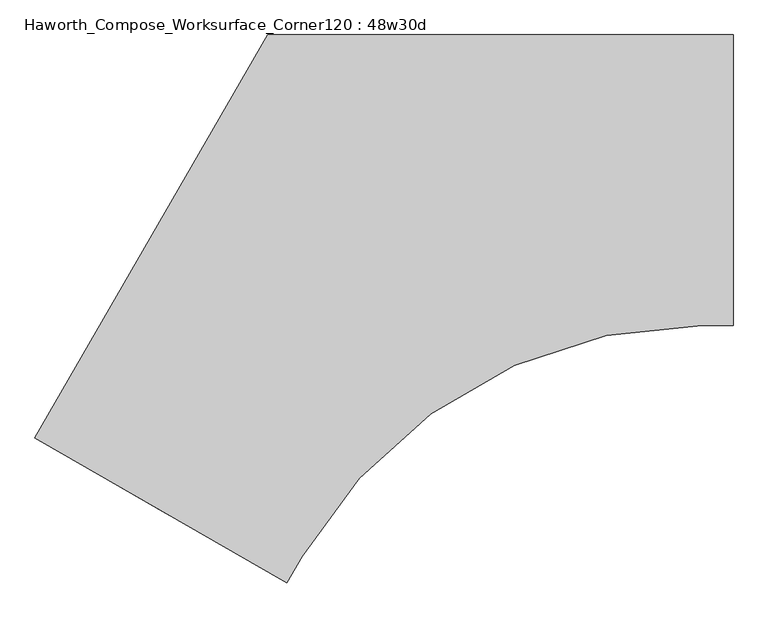
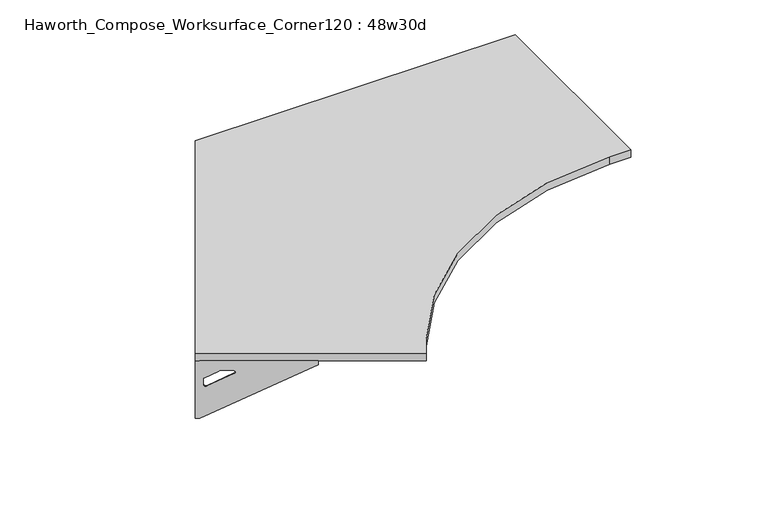
"""IFC4 building model written with IfcOpenShell, lengths in millimetres: furniture geometry, Haworth_Compose_Worksurface_Corner120 : 48w30d."""

from ifc_helpers import new_model, si_unit, point, frame, frame_2d, origin, place, context, project, spatial, polyline, circle_curve, trimmed, segment, composite_curve, outline, extrude, source, transform, mapped, element, save
from ifc_brep_helpers import plane_surface, revolved_surface, advanced_brep


def haworth_compose_worksurface_corner120_48w30d_0e6712c5(model_context):
    return source(origin(), model_context, "Body", "SolidModel", [
        advanced_brep(
        [(454.81875, 304.8, 473.86875), (454.81875, 288.925, 473.86875), (454.81875, -101.6, 690.1317568), (454.81875, -101.6, 702.46875), (454.81875, 288.925, 702.46875), (454.81875, 304.8, 702.46875), (454.81875, 221.490072, 664.36875), (454.81875, 177.8355284, 664.36875), (454.81875, 175.1564235, 654.7830539), (454.81875, 266.8776173, 603.9901439), (454.81875, 276.225, 609.5881969), (454.81875, 276.225, 633.0985246), (454.81875, 274.4730055, 635.9367776), (454.81875, 224.5663437, 663.5738425), (457.2, 304.8, 473.86875), (457.2, 304.8, 702.46875), (457.2, 288.925, 702.46875), (457.2, 288.925, 704.85), (457.2, -101.6, 704.85), (457.2, -101.6, 690.1317568), (457.2, 288.925, 473.86875), (457.2, 221.490072, 664.36875), (457.2, 224.5663437, 663.5738425), (457.2, 274.4730055, 635.9367776), (457.2, 276.225, 633.0985246), (457.2, 276.225, 609.5881969), (457.2, 266.8776173, 603.9901439), (457.2, 175.1564235, 654.7830539), (457.2, 177.8355284, 664.36875), (415.925, -101.6, 704.85), (415.925, -101.6, 702.46875), (415.925, 288.925, 702.46875), (415.925, 288.925, 704.85)],
        [
            (0, 1),
            (1, 2),
            (2, 3),
            (3, 4),
            (4, 5),
            (5, 0),
            (6, 7),
            (7, 8, circle_curve(frame((454.81875, 177.8355284, 659.2015106), z_axis=(1.0, 0.0, 0.0), x_axis=(0.0, -1.0, 0.0)), 5.1672394)),
            (8, 9),
            (9, 10, circle_curve(frame((454.81875, 269.875, 609.5881969), z_axis=(1.0, 0.0, 0.0), x_axis=(0.0, -1.0, 0.0)), 6.35)),
            (10, 11),
            (11, 12, circle_curve(frame((454.81875, 273.05, 633.0985246), z_axis=(1.0, 0.0, 0.0), x_axis=(0.0, -1.0, 0.0)), 3.175)),
            (12, 13),
            (13, 6, circle_curve(frame((454.81875, 221.490072, 658.01875), z_axis=(1.0, 0.0, 0.0), x_axis=(0.0, -1.0, 0.0)), 6.35)),
            (14, 15),
            (15, 16),
            (16, 17),
            (17, 18),
            (18, 19),
            (19, 20),
            (20, 14),
            (21, 22, circle_curve(frame((457.2, 221.490072, 658.01875), z_axis=(-1.0, 0.0, 0.0), x_axis=(0.0, -1.0, 0.0)), 6.35)),
            (22, 23),
            (23, 24, circle_curve(frame((457.2, 273.05, 633.0985246), z_axis=(-1.0, 0.0, 0.0), x_axis=(0.0, -1.0, 0.0)), 3.175)),
            (24, 25),
            (25, 26, circle_curve(frame((457.2, 269.875, 609.5881969), z_axis=(-1.0, 0.0, 0.0), x_axis=(0.0, -1.0, 0.0)), 6.35)),
            (26, 27),
            (27, 28, circle_curve(frame((457.2, 177.8355284, 659.2015106), z_axis=(-1.0, 0.0, 0.0), x_axis=(0.0, -1.0, 0.0)), 5.1672394)),
            (28, 21),
            (4, 16),
            (15, 5),
            (14, 0),
            (20, 1),
            (19, 2),
            (18, 29),
            (29, 30),
            (30, 3),
            (6, 21),
            (28, 7),
            (9, 26),
            (25, 10),
            (24, 11),
            (23, 12),
            (27, 8),
            (31, 4),
            (30, 31),
            (32, 29),
            (17, 32),
            (31, 32),
            (22, 13),
        ],
        [
            plane_surface(frame((454.81875, 304.8, 473.86875), z_axis=(-1.0, 0.0, 0.0), x_axis=(0.0, 1.0, 0.0))),
            plane_surface(frame((457.2, 304.8, 473.86875), z_axis=(1.0, 0.0, 0.0), x_axis=(0.0, -1.0, 0.0))),
            plane_surface(frame((457.2, -101.6, 702.46875), z_axis=(0.0, 0.0, 1.0), x_axis=(-1.0, 0.0, 0.0))),
            plane_surface(frame((457.2, 304.8, 702.46875), z_axis=(0.0, 1.0, 0.0), x_axis=(-1.0, 0.0, 0.0))),
            plane_surface(frame((457.2, 304.8, 473.86875), z_axis=(0.0, 0.0, -1.0), x_axis=(-1.0, 0.0, 0.0))),
            plane_surface(frame((457.2, 288.925, 473.86875), z_axis=(0.0, -0.4844522351345575, -0.8748177135112957), x_axis=(-1.0, 0.0, 0.0))),
            plane_surface(frame((457.2, -101.6, 690.1317568), z_axis=(0.0, -1.0, 0.0), x_axis=(-1.0, 0.0, 0.0))),
            plane_surface(frame((457.2, 221.490072, 664.36875), z_axis=(0.0, 0.0, -1.0), x_axis=(-1.0, 0.0, 0.0))),
            revolved_surface(polyline([(454.81875, 263.525, 609.5881969), (457.2, 263.525, 609.5881969)]), (457.2, 269.875, 609.5881969), (-1.0, 0.0, 0.0)),
            plane_surface(frame((457.2, 276.225, 609.5881969), z_axis=(0.0, -1.0, 0.0), x_axis=(-1.0, 0.0, 0.0))),
            revolved_surface(polyline([(454.81875, 269.875, 633.0985246), (457.2, 269.875, 633.0985246)]), (457.2, 273.05, 633.0985246), (-1.0, 0.0, 0.0)),
            revolved_surface(polyline([(454.81875, 172.668289, 659.2015106), (457.2, 172.668289, 659.2015106)]), (457.2, 177.8355284, 659.2015106), (-1.0, 0.0, 0.0)),
            plane_surface(frame((457.2, 288.925, 702.46875), z_axis=(0.0, 0.0, -1.0), x_axis=(-1.0, 0.0, 0.0))),
            plane_surface(frame((457.2, 288.925, 704.85), z_axis=(0.0, 0.0, 1.0), x_axis=(1.0, 0.0, 0.0))),
            plane_surface(frame((415.925, 288.925, 704.85), z_axis=(0.0, 1.0, 0.0), x_axis=(0.0, 0.0, -1.0))),
            plane_surface(frame((415.925, -101.6, 704.85), z_axis=(-1.0, 0.0, 0.0), x_axis=(0.0, 0.0, -1.0))),
            plane_surface(frame((457.2, 175.1564235, 654.7830539), z_axis=(0.0, 0.4844522351341526, 0.8748177135115199), x_axis=(-1.0, 0.0, 0.0))),
            plane_surface(frame((457.2, 274.4730055, 635.9367776), z_axis=(0.0, -0.48445223513456226, -0.874817713511293), x_axis=(-1.0, 0.0, 0.0))),
            revolved_surface(polyline([(454.81875, 215.140072, 658.01875), (457.2, 215.140072, 658.01875)]), (457.2, 221.490072, 658.01875), (-1.0, 0.0, 0.0)),
        ],
        [
            (0, [[1, 2, 3, 4, 5, 6], [7, 8, 9, 10, 11, 12, 13, 14]]),
            (1, [[15, 16, 17, 18, 19, 20, 21], [22, 23, 24, 25, 26, 27, 28, 29]]),
            (2, [[-5, 30, -16, 31]]),
            (3, [[-31, -15, 32, -6]]),
            (4, [[-32, -21, 33, -1]]),
            (5, [[-33, -20, 34, -2]]),
            (6, [[-34, -19, 35, 36, 37, -3]]),
            (7, [[38, -29, 39, -7]]),
            (8, [[40, -26, 41, -10]]),
            (9, [[-41, -25, 42, -11]]),
            (10, [[-42, -24, 43, -12]]),
            (11, [[-39, -28, 44, -8]]),
            (12, [[45, -4, -37, 46]]),
            (13, [[47, -35, -18, 48]]),
            (14, [[-17, -30, -45, 49, -48]]),
            (15, [[-36, -47, -49, -46]]),
            (16, [[-44, -27, -40, -9]]),
            (17, [[-43, -23, 50, -13]]),
            (18, [[-50, -22, -38, -14]]),
        ],
    ),
        advanced_brep(
        [(-1370.409375, -748.9959493, 473.86875), (-1370.409375, -748.9959493, 702.46875), (-1356.6612217, -756.9334493, 702.46875), (-1018.4566509, -952.1959493, 702.46875), (-1018.4566509, -952.1959493, 690.1317568), (-1356.6612217, -756.9334493, 473.86875), (-1298.260861, -790.6509133, 664.36875), (-1300.9249904, -789.1127775, 663.5738425), (-1344.1454274, -764.1594465, 635.9367776), (-1345.6626991, -763.2834493, 633.0985246), (-1345.6626991, -763.2834493, 609.5881969), (-1337.5676282, -767.9571406, 603.9901439), (-1258.1347443, -813.8177376, 654.7830539), (-1260.4549172, -812.4781851, 664.36875), (-1371.6, -751.0581723, 473.86875), (-1357.8518467, -758.9956723, 473.86875), (-1019.6472759, -954.2581723, 690.1317568), (-1019.6472759, -954.2581723, 704.85), (-1357.8518467, -758.9956723, 704.85), (-1357.8518467, -758.9956723, 702.46875), (-1371.6, -751.0581723, 702.46875), (-1299.451486, -792.7131363, 664.36875), (-1261.6455422, -814.5404081, 664.36875), (-1259.3253693, -815.8799606, 654.7830539), (-1338.7582532, -770.0193636, 603.9901439), (-1346.8533241, -765.3456723, 609.5881969), (-1346.8533241, -765.3456723, 633.0985246), (-1345.3360524, -766.2216695, 635.9367776), (-1302.1156154, -791.1750004, 663.5738425), (-999.0097759, -918.5129738, 702.46875), (-999.0097759, -918.5129738, 704.85), (-1337.2143467, -723.2504738, 702.46875), (-1337.2143467, -723.2504738, 704.85)],
        [
            (0, 1),
            (1, 2),
            (2, 3),
            (3, 4),
            (4, 5),
            (5, 0),
            (6, 7, circle_curve(frame((-1298.260861, -790.6509133, 658.01875), z_axis=(-0.5000000000000026, -0.8660254037844374, 0.0), x_axis=(0.8660254037844372, -0.5000000000000024, 0.0)), 6.35)),
            (7, 8),
            (8, 9, circle_curve(frame((-1342.9130684, -764.8709493, 633.0985246), z_axis=(-0.5000000000000026, -0.8660254037844374, 0.0), x_axis=(0.8660254037844372, -0.5000000000000024, 0.0)), 3.175)),
            (9, 10),
            (10, 11, circle_curve(frame((-1340.1634378, -766.4584493, 609.5881969), z_axis=(-0.5000000000000026, -0.8660254037844374, 0.0), x_axis=(0.8660254037844372, -0.5000000000000024, 0.0)), 6.35)),
            (11, 12),
            (12, 13, circle_curve(frame((-1260.4549172, -812.4781851, 659.2015106), z_axis=(-0.5000000000000026, -0.8660254037844374, 0.0), x_axis=(0.8660254037844372, -0.5000000000000024, 0.0)), 5.1672394)),
            (13, 6),
            (14, 15),
            (15, 16),
            (16, 17),
            (17, 18),
            (18, 19),
            (19, 20),
            (20, 14),
            (21, 22),
            (22, 23, circle_curve(frame((-1261.6455422, -814.5404081, 659.2015106), z_axis=(0.5000000000000026, 0.8660254037844374, 0.0), x_axis=(0.8660254037844372, -0.5000000000000024, 0.0)), 5.1672394)),
            (23, 24),
            (24, 25, circle_curve(frame((-1341.3540628, -768.5206723, 609.5881969), z_axis=(0.5000000000000026, 0.8660254037844374, 0.0), x_axis=(0.8660254037844372, -0.5000000000000024, 0.0)), 6.35)),
            (25, 26),
            (26, 27, circle_curve(frame((-1344.1036934, -766.9331723, 633.0985246), z_axis=(0.5000000000000026, 0.8660254037844374, 0.0), x_axis=(0.8660254037844372, -0.5000000000000024, 0.0)), 3.175)),
            (27, 28),
            (28, 21, circle_curve(frame((-1299.451486, -792.7131363, 658.01875), z_axis=(0.5000000000000026, 0.8660254037844374, 0.0), x_axis=(0.8660254037844372, -0.5000000000000024, 0.0)), 6.35)),
            (1, 20),
            (19, 2),
            (0, 14),
            (5, 15),
            (4, 16),
            (3, 29),
            (29, 30),
            (30, 17),
            (13, 22),
            (21, 6),
            (10, 25),
            (24, 11),
            (9, 26),
            (8, 27),
            (12, 23),
            (31, 29),
            (2, 31),
            (32, 18),
            (30, 32),
            (32, 31),
            (7, 28),
        ],
        [
            plane_surface(frame((-1370.409375, -748.9959493, 473.86875), z_axis=(0.5000000000000026, 0.8660254037844373, 0.0), x_axis=(-0.8660254037844373, 0.5000000000000026, 0.0))),
            plane_surface(frame((-1371.6, -751.0581723, 473.86875), z_axis=(-0.5000000000000026, -0.8660254037844373, 0.0), x_axis=(0.8660254037844373, -0.5000000000000026, 0.0))),
            plane_surface(frame((-1019.6472759, -954.2581723, 702.46875), z_axis=(0.0, 0.0, 1.0), x_axis=(0.5000000000000011, 0.866025403784438, 0.0))),
            plane_surface(frame((-1371.6, -751.0581723, 702.46875), z_axis=(-0.866025403784438, 0.5000000000000011, 0.0), x_axis=(0.5000000000000011, 0.866025403784438, 0.0))),
            plane_surface(frame((-1371.6, -751.0581723, 473.86875), z_axis=(0.0, 0.0, -1.0), x_axis=(0.5000000000000011, 0.866025403784438, 0.0))),
            plane_surface(frame((-1357.8518467, -758.9956723, 473.86875), z_axis=(0.41954794254667943, -0.24222611756727808, -0.8748177135112957), x_axis=(0.5000000000000011, 0.866025403784438, 0.0))),
            plane_surface(frame((-1019.6472759, -954.2581723, 690.1317568), z_axis=(0.866025403784438, -0.5000000000000011, 0.0), x_axis=(0.5000000000000011, 0.866025403784438, 0.0))),
            plane_surface(frame((-1299.451486, -792.7131363, 664.36875), z_axis=(0.0, 0.0, -1.0), x_axis=(0.5000000000000011, 0.866025403784438, 0.0))),
            revolved_surface(polyline([(-1334.66417645195, -769.6334492483159, 609.5881969), (-1335.854801485969, -771.6956723000001, 609.5881969)]), (-1341.3540628, -768.5206723, 609.5881969), (0.5000000000000024, 0.8660254037844372, 0.0)),
            plane_surface(frame((-1346.8533241, -765.3456723, 609.5881969), z_axis=(0.866025403784438, -0.5000000000000011, 0.0), x_axis=(0.5000000000000011, 0.866025403784438, 0.0))),
            revolved_surface(polyline([(-1340.1634377398502, -766.4584493018095, 633.0985246), (-1341.3540627537307, -768.5206723186128, 633.0985246)]), (-1344.1036934, -766.9331723, 633.0985246), (0.5000000000000024, 0.8660254037844372, 0.0)),
            revolved_surface(polyline([(-1255.9799566090298, -815.0618048018096, 659.2015106), (-1257.1705816345157, -817.1240278387139, 659.2015106)]), (-1261.6455422, -814.5404081, 659.2015106), (0.5000000000000024, 0.8660254037844372, 0.0)),
            plane_surface(frame((-1357.8518467, -758.9956723, 702.46875), z_axis=(0.0, 0.0, -1.0), x_axis=(0.5000000000000011, 0.866025403784438, 0.0))),
            plane_surface(frame((-1357.8518467, -758.9956723, 704.85), z_axis=(0.0, 0.0, 1.0), x_axis=(-0.5000000000000011, -0.866025403784438, 0.0))),
            plane_surface(frame((-1337.2143467, -723.2504738, 704.85), z_axis=(-0.866025403784438, 0.5000000000000011, 0.0), x_axis=(0.0, 0.0, -1.0))),
            plane_surface(frame((-999.0097759, -918.5129738, 704.85), z_axis=(0.5000000000000011, 0.866025403784438, 0.0), x_axis=(0.0, 0.0, -1.0))),
            plane_surface(frame((-1259.3253693, -815.8799606, 654.7830539), z_axis=(-0.41954794254632877, 0.24222611756707563, 0.87481771351152), x_axis=(0.5000000000000011, 0.866025403784438, 0.0))),
            plane_surface(frame((-1345.3360524, -766.2216695, 635.9367776), z_axis=(0.4195479425466836, -0.24222611756728046, -0.874817713511293), x_axis=(0.5000000000000011, 0.866025403784438, 0.0))),
            revolved_surface(polyline([(-1292.7615996828345, -793.8259133018096, 658.01875), (-1293.9522246859688, -795.8881363, 658.01875)]), (-1299.451486, -792.7131363, 658.01875), (0.5000000000000024, 0.8660254037844372, 0.0)),
        ],
        [
            (0, [[1, 2, 3, 4, 5, 6], [7, 8, 9, 10, 11, 12, 13, 14]]),
            (1, [[15, 16, 17, 18, 19, 20, 21], [22, 23, 24, 25, 26, 27, 28, 29]]),
            (2, [[30, -20, 31, -2]]),
            (3, [[-1, 32, -21, -30]]),
            (4, [[-6, 33, -15, -32]]),
            (5, [[-5, 34, -16, -33]]),
            (6, [[-4, 35, 36, 37, -17, -34]]),
            (7, [[-14, 38, -22, 39]]),
            (8, [[-11, 40, -25, 41]]),
            (9, [[-10, 42, -26, -40]]),
            (10, [[-9, 43, -27, -42]]),
            (11, [[-13, 44, -23, -38]]),
            (12, [[45, -35, -3, 46]]),
            (13, [[47, -18, -37, 48]]),
            (14, [[-47, 49, -46, -31, -19]]),
            (15, [[-45, -49, -48, -36]]),
            (16, [[-12, -41, -24, -44]]),
            (17, [[-8, 50, -28, -43]]),
            (18, [[-7, -39, -29, -50]]),
        ],
    ),
        extrude(outline(composite_curve([segment(polyline([(-1371.6, -751.0581723), (-762.0, 304.8), (457.2, 304.8), (457.2, -457.2), (376.347092, -457.2)]), True, "CONTINUOUS"), segment(trimmed(circle_curve(frame_2d((376.347092, -1666.875)), 1209.675), [point((376.347092, -457.2))], [point((-671.2621883, -1062.0375))], True, "CARTESIAN"), True, "CONTINUOUS"), segment(polyline([(-671.2621883, -1062.0375), (-711.6886423, -1132.0581723), (-1371.6, -751.0581723)]), True, "CONTINUOUS")], self_intersect=False)), frame((0.0, 0.0, 706.4375), z_axis=(0.0, 0.0, 1.0), x_axis=(1.0, 0.0, 0.0)), (0.0, 0.0, 1.0), 30.1625),
    ])


if __name__ == "__main__":
    model = new_model("IFC4")
    model_context = context("Model", 3, world=origin())
    ifc_project = project(units=[si_unit("LENGTHUNIT", "METRE", prefix="MILLI")], contexts=[model_context])
    site = spatial("IfcSite", under=ifc_project)
    building = spatial("IfcBuilding", under=site)
    placement = place(None, origin())
    haworth_compose_worksurface_corner120_48w30d_shape = haworth_compose_worksurface_corner120_48w30d_0e6712c5(model_context)
    element("IfcFurniture", 1, ObjectType="Haworth_Compose_Worksurface_Corner120 : 48w30d", at=placement, inside=building, context=model_context, shape_type="MappedRepresentation", body=[
        mapped(haworth_compose_worksurface_corner120_48w30d_shape, transform((0.0, 0.0, 0.0), x_axis=(1.0, 0.0, 0.0), y_axis=(0.0, 1.0, 0.0), z_axis=(0.0, 0.0, 1.0))),
    ])
    save(model, "model.ifc")
